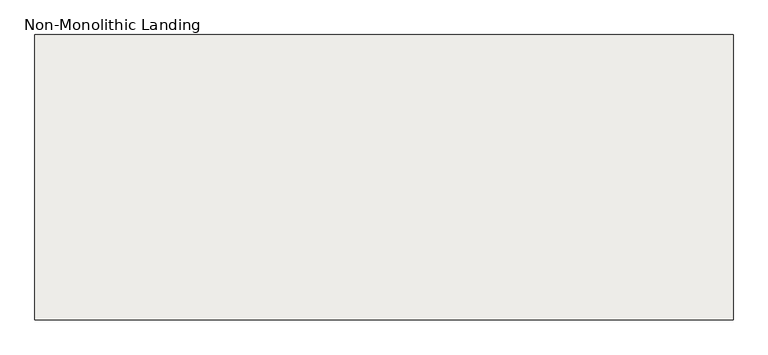
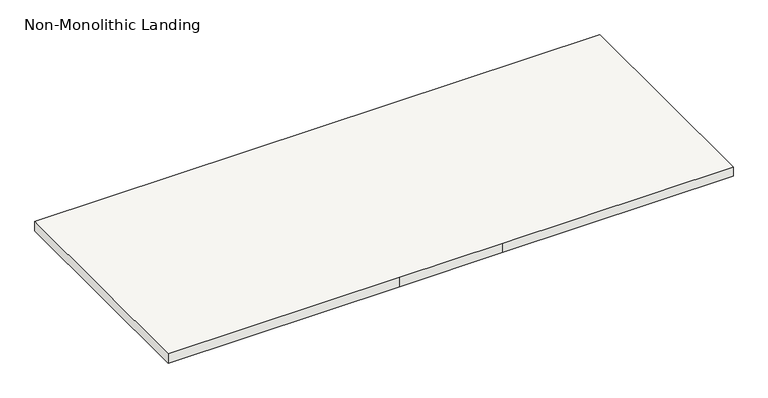
"""IFC4 building model written with IfcOpenShell, lengths in millimetres: slab geometry, Non-Monolithic Landing."""

import ifcopenshell
import ifcopenshell.guid

model = None  # the IFC model being written
_history = None  # IfcOwnerHistory: only IFC2X3 demands one
_inside = {}  # id of a spatial element -> (the spatial element, [elements in it])
_under = {}  # id of a project, library or spatial element -> (it, [spatial elements below it])
_declared = {}  # id of a project -> (the project, [libraries it declares])
_typed = {}  # id of a type object -> (the type object, [elements of that type])
_made_of = {}  # id of a material, layer set ... -> (it, [elements and type objects made of it])


def new_model(schema):
    """Start an empty IFC model of exactly this schema.

    Asked for "IFC4X3", IfcOpenShell would pick the latest addendum, in which some entities
    have other attributes; the version numbers below select the first issue.
    IFC2X3 requires an IfcOwnerHistory on every rooted entity: one is made here for all.
    """
    global model, _history
    if schema == "IFC4X3":
        model = ifcopenshell.file(schema_version=(4, 3, 0, 0))
    else:
        model = ifcopenshell.file(schema=schema)
    _inside.clear()
    _under.clear()
    _declared.clear()
    _typed.clear()
    _made_of.clear()
    _history = None
    if model.schema == "IFC2X3":
        org = make("IfcOrganization", Name="unknown")
        user = make(
            "IfcPersonAndOrganization",
            ThePerson=make("IfcPerson", FamilyName="unknown"),
            TheOrganization=org,
        )
        app = make(
            "IfcApplication",
            ApplicationDeveloper=org,
            Version="unknown",
            ApplicationFullName="unknown",
            ApplicationIdentifier="unknown",
        )
        _history = make(
            "IfcOwnerHistory",
            OwningUser=user,
            OwningApplication=app,
            ChangeAction="ADDED",
            CreationDate=0,
        )
    return model


def make(cls, **values):
    """One entity of the class cls with the attributes given. An attribute that is None is left unset."""
    return model.create_entity(
        cls, **{name: value for name, value in values.items() if value is not None}
    )


def rooted(cls, **values):
    """An entity with a GlobalId (a new one), such as an element, a storey or a relation."""
    return make(cls, GlobalId=ifcopenshell.guid.new(), OwnerHistory=_history, **values)


def si_unit(unit_type, name, prefix=None):
    """IfcSIUnit, for example si_unit("LENGTHUNIT", "METRE", prefix="MILLI")."""
    return make("IfcSIUnit", UnitType=unit_type, Prefix=prefix, Name=name)


def assignment(units):
    """IfcUnitAssignment: the units of a project."""
    return None if units is None else make("IfcUnitAssignment", Units=units)


def point(xyz):
    """IfcCartesianPoint."""
    return None if xyz is None else make("IfcCartesianPoint", Coordinates=xyz)


def direction(xyz):
    """IfcDirection."""
    return None if xyz is None else make("IfcDirection", DirectionRatios=xyz)


def frame(location, z_axis=None, x_axis=None):
    """IfcAxis2Placement3D, a coordinate frame: its origin and axes. An axis left out is left unset."""
    return make(
        "IfcAxis2Placement3D",
        Location=point(location),
        Axis=direction(z_axis),
        RefDirection=direction(x_axis),
    )


def origin():
    """The frame at (0, 0, 0) with its axes left unset."""
    return frame((0.0, 0.0, 0.0))


def place(relative_to, where):
    """IfcLocalPlacement: puts the frame where relative to a parent placement (None: the world)."""
    return make(
        "IfcLocalPlacement", PlacementRelTo=relative_to, RelativePlacement=where
    )


def context(
    kind, dimensions, precision=None, world=None, true_north=None, identifier=None
):
    """IfcGeometricRepresentationContext, for example the 3D "Model" context."""
    return make(
        "IfcGeometricRepresentationContext",
        ContextIdentifier=identifier,
        ContextType=kind,
        CoordinateSpaceDimension=dimensions,
        Precision=precision,
        WorldCoordinateSystem=world,
        TrueNorth=true_north,
    )


def project(units=None, contexts=None):
    """IfcProject with its units and contexts."""
    return rooted(
        "IfcProject",
        Name="project",
        RepresentationContexts=contexts,
        UnitsInContext=assignment(units),
    )


def spatial(cls, under=None, at=None, **own):
    """A site, building, storey or space (cls), placed at a placement, below another one or the project."""
    s = rooted(cls, ObjectPlacement=at, **own)
    if under is not None:
        _under.setdefault(under.id(), (under, []))[1].append(s)
    return s


def polyline(points):
    """IfcPolyline through the points."""
    return make("IfcPolyline", Points=[point(p) for p in points])


def outline(outer, holes=None, kind="AREA"):
    """IfcArbitraryClosedProfileDef: a profile drawn as a closed curve; with holes, ...WithVoids."""
    if holes is None:
        return make("IfcArbitraryClosedProfileDef", ProfileType=kind, OuterCurve=outer)
    return make(
        "IfcArbitraryProfileDefWithVoids",
        ProfileType=kind,
        OuterCurve=outer,
        InnerCurves=holes,
    )


def extrude(swept, where, along, depth):
    """IfcExtrudedAreaSolid: the profile swept, set in the frame where, extruded along a direction by depth."""
    return make(
        "IfcExtrudedAreaSolid",
        SweptArea=swept,
        Position=where,
        ExtrudedDirection=direction(along),
        Depth=depth,
    )


def shape(context_of_items, identifier, shape_type, items):
    """IfcShapeRepresentation: the items that make up one representation, for example the "Body"."""
    return make(
        "IfcShapeRepresentation",
        ContextOfItems=context_of_items,
        RepresentationIdentifier=identifier,
        RepresentationType=shape_type,
        Items=items,
    )


def source(mapping_origin, context_of_items, identifier, shape_type, items):
    """IfcRepresentationMap: a shape defined once, which mapped items show again and again."""
    return make(
        "IfcRepresentationMap",
        MappingOrigin=mapping_origin,
        MappedRepresentation=shape(context_of_items, identifier, shape_type, items),
    )


def transform(
    local_origin,
    x_axis=None,
    y_axis=None,
    z_axis=None,
    scale=None,
    scale2=None,
    scale3=None,
    uniform=True,
):
    """IfcCartesianTransformationOperator3D, or its non-uniform kind. x_axis, y_axis, z_axis: its Axis1, 2, 3."""
    if uniform:
        return make(
            "IfcCartesianTransformationOperator3D",
            Axis1=direction(x_axis),
            Axis2=direction(y_axis),
            LocalOrigin=point(local_origin),
            Scale=scale,
            Axis3=direction(z_axis),
        )
    return make(
        "IfcCartesianTransformationOperator3DnonUniform",
        Axis1=direction(x_axis),
        Axis2=direction(y_axis),
        LocalOrigin=point(local_origin),
        Scale=scale,
        Axis3=direction(z_axis),
        Scale2=scale2,
        Scale3=scale3,
    )


def mapped(mapping_source, mapping_target):
    """IfcMappedItem: shows the shape of a source again, moved by a transform."""
    return make(
        "IfcMappedItem", MappingSource=mapping_source, MappingTarget=mapping_target
    )


def made_of(thing, what):
    """Note that an element or type object is made of a material, layer set ...; save() writes the relation."""
    if what is not None:
        _made_of.setdefault(what.id(), (what, []))[1].append(thing)
    return thing


def element(
    cls,
    number,
    at=None,
    inside=None,
    cuts=None,
    type_object=None,
    material=None,
    context=None,
    identifier="Body",
    shape_type=None,
    held_by="IfcProductDefinitionShape",
    body=None,
    shapes=None,
    **own,
):
    """One element of the class cls, such as IfcWall. Its Tag is "e" and its number.

    at: its placement. inside: the storey or other place that contains it. cuts: it is an
    opening in that element (IfcRelVoidsElement). A single representation is given by context,
    identifier, shape_type and body (its items); several are given by shapes. held_by: the class
    of the entity that holds the representations. save() writes the other relations.
    """
    e = rooted(cls, Tag="e%d" % number, ObjectPlacement=at, **own)
    if body is not None:
        shapes = [shape(context, identifier, shape_type, body)]
    if shapes is not None:
        e.Representation = make(held_by, Representations=shapes)
    if inside is not None:
        _inside.setdefault(inside.id(), (inside, []))[1].append(e)
    if cuts is not None:
        rooted(
            "IfcRelVoidsElement", RelatingBuildingElement=cuts, RelatedOpeningElement=e
        )
    if type_object is not None:
        _typed.setdefault(type_object.id(), (type_object, []))[1].append(e)
    return made_of(e, material)


def aggregate(whole, parts):
    """IfcRelAggregates: a whole, such as a stair, and the parts it consists of."""
    return rooted("IfcRelAggregates", RelatingObject=whole, RelatedObjects=parts)


def save(model, path):
    """Write the relations noted so far, then the file.

    IfcRelAggregates (storeys below a building ...), IfcRelContainedInSpatialStructure (elements
    in a storey), IfcRelDefinesByType, IfcRelAssociatesMaterial and IfcRelDeclares: one each for
    every whole, place, type object, material and project.
    """
    for whole, parts in _under.values():
        aggregate(whole, parts)
    for where, things in _inside.values():
        rooted(
            "IfcRelContainedInSpatialStructure",
            RelatedElements=things,
            RelatingStructure=where,
        )
    for kind, things in _typed.values():
        rooted("IfcRelDefinesByType", RelatedObjects=things, RelatingType=kind)
    for what, things in _made_of.values():
        rooted("IfcRelAssociatesMaterial", RelatedObjects=things, RelatingMaterial=what)
    for by, libraries in _declared.values():
        rooted("IfcRelDeclares", RelatingContext=by, RelatedDefinitions=libraries)
    model.write(path)


def non_monolithic_landing_21df3e55(model_context):
    return source(origin(), model_context, "Body", "SweptSolid", [
        extrude(outline(polyline([(-22618.8294643, 2827.8449078), (-22618.8294643, 4027.8449078), (-19682.9044643, 4027.8449078), (-19682.9044643, 2827.8449078), (-20882.9044643, 2827.8449078), (-21418.8294643, 2827.8449078), (-22618.8294643, 2827.8449078)])), frame((0.0, 0.0, -1550.0), z_axis=(0.0, 0.0, 1.0), x_axis=(1.0, 0.0, 0.0)), (0.0, 0.0, 1.0), 50.0),
    ])


if __name__ == "__main__":
    model = new_model("IFC4")
    model_context = context("Model", 3, world=origin())
    ifc_project = project(units=[si_unit("LENGTHUNIT", "METRE", prefix="MILLI")], contexts=[model_context])
    site = spatial("IfcSite", under=ifc_project)
    building = spatial("IfcBuilding", under=site)
    placement = place(None, origin())
    non_monolithic_landing_shape = non_monolithic_landing_21df3e55(model_context)
    element("IfcSlab", 1, ObjectType="Non-Monolithic Landing", at=placement, inside=building, context=model_context, shape_type="MappedRepresentation", body=[
        mapped(non_monolithic_landing_shape, transform((0.0, 0.0, 0.0), x_axis=(1.0, 0.0, 0.0), y_axis=(0.0, 1.0, 0.0), z_axis=(0.0, 0.0, 1.0))),
    ])
    save(model, "model.ifc")
